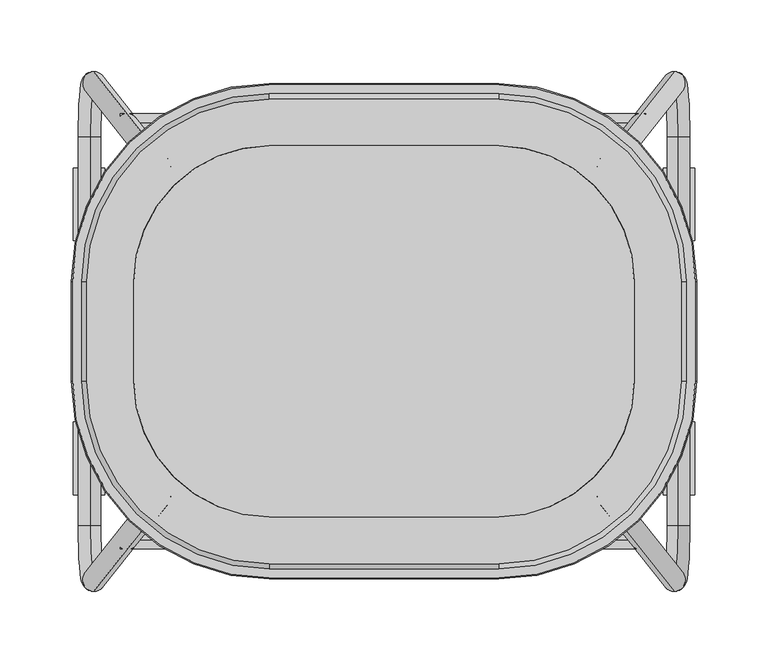
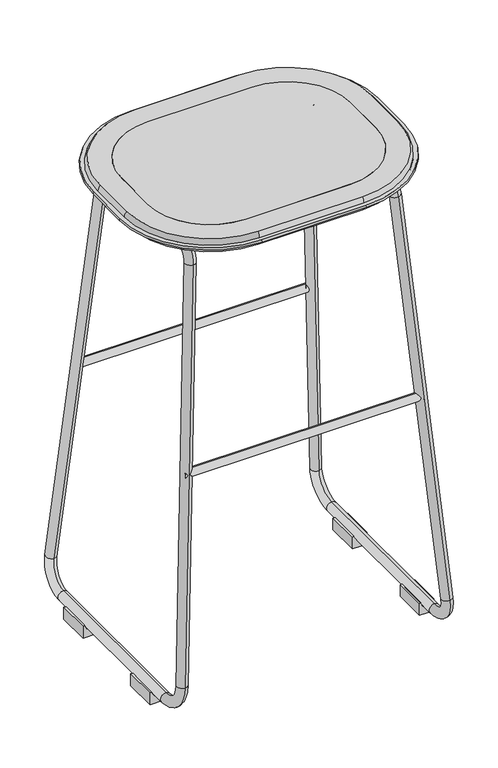
"""IFC4 building model written with IfcOpenShell, lengths in millimetres: furniture geometry."""

from ifc_helpers import new_model, si_unit, point, frame, frame_2d, origin, place, context, project, spatial, polyline, circle_curve, ellipse_curve, trimmed, segment, composite_curve, outline, extrude, source, transform, mapped, element, save
from ifc_brep_helpers import plane_surface, cylinder_surface, revolved_surface, advanced_brep


def furniture_5be35ab8(model_context):
    return source(origin(), model_context, "Body", "SolidModel", [
        extrude(outline(composite_curve([segment(polyline([(19.05, 195.2625), (0.0, 195.2625), (0.0, 217.4875), (19.05, 217.4875), (19.05, 214.3125)]), True, "CONTINUOUS"), segment(trimmed(circle_curve(frame_2d((19.05, 206.375)), 7.9375), [point((19.05, 214.3125))], [point((19.05, 198.4375))], True, "CARTESIAN"), True, "CONTINUOUS"), segment(polyline([(19.05, 198.4375), (19.05, 195.2625)]), True, "CONTINUOUS")], self_intersect=False)), frame((0.0, -114.3, 0.0), z_axis=(0.0, 1.0, 0.0), x_axis=(0.0, 0.0, 1.0)), (0.0, 0.0, 1.0), 50.8),
        extrude(outline(composite_curve([segment(polyline([(19.05, 195.2625), (0.0, 195.2625), (0.0, 217.4875), (19.05, 217.4875), (19.05, 214.3125)]), True, "CONTINUOUS"), segment(trimmed(circle_curve(frame_2d((19.05, 206.375)), 7.9375), [point((19.05, 214.3125))], [point((19.05, 198.4375))], True, "CARTESIAN"), True, "CONTINUOUS"), segment(polyline([(19.05, 198.4375), (19.05, 195.2625)]), True, "CONTINUOUS")], self_intersect=False)), frame((0.0, 63.5, 0.0), z_axis=(0.0, 1.0, 0.0), x_axis=(0.0, 0.0, 1.0)), (0.0, 0.0, 1.0), 50.8),
        advanced_brep(
        [(-175.021491, -34.925, 747.4493229), (-80.1154768, -129.8310142, 747.4493229), (80.1154768, -129.8310142, 747.4493229), (175.021491, -34.925, 747.4493229), (175.021491, 34.925, 747.4493229), (80.1154768, 129.8310142, 747.4493229), (-80.1154768, 129.8310142, 747.4493229), (-175.021491, 34.925, 747.4493229), (-178.5135382, -34.925, 723.9250418), (-178.5135382, 34.925, 723.9250418), (-80.1154768, 133.3230614, 723.9250418), (80.1154768, 133.3230614, 723.9250418), (178.5135382, 34.925, 723.9250418), (178.5135382, -34.925, 723.9250418), (80.1154768, -133.3230614, 723.9250418), (-80.1154768, -133.3230614, 723.9250418)],
        [
            (0, 1, circle_curve(frame((-80.1154768, -34.925, 747.4493229), z_axis=(0.0, 0.0, 1.0), x_axis=(-1.0000000000000002, 0.0, 0.0)), 94.9060142)),
            (1, 2),
            (2, 3, circle_curve(frame((80.1154768, -34.925, 747.4493229), z_axis=(0.0, 0.0, 1.0), x_axis=(0.0, -1.0000000000000002, 0.0)), 94.9060142)),
            (3, 4),
            (4, 5, circle_curve(frame((80.1154768, 34.925, 747.4493229), z_axis=(0.0, 0.0, 1.0), x_axis=(1.0000000000000002, 0.0, 0.0)), 94.9060142)),
            (5, 6),
            (6, 7, circle_curve(frame((-80.1154768, 34.925, 747.4493229), z_axis=(0.0, 0.0, 1.0), x_axis=(0.0, 1.0000000000000002, 0.0)), 94.9060142)),
            (7, 0),
            (8, 9),
            (9, 10, circle_curve(frame((-80.1154768, 34.925, 723.9250418), z_axis=(0.0, 0.0, -1.0), x_axis=(0.0, 1.0000000000000002, 0.0)), 98.3980614)),
            (10, 11),
            (11, 12, circle_curve(frame((80.1154768, 34.925, 723.9250418), z_axis=(0.0, 0.0, -1.0), x_axis=(1.0000000000000002, 0.0, 0.0)), 98.3980614)),
            (12, 13),
            (13, 14, circle_curve(frame((80.1154768, -34.925, 723.9250418), z_axis=(0.0, 0.0, -1.0), x_axis=(0.0, -1.0000000000000002, 0.0)), 98.3980614)),
            (14, 15),
            (15, 8, circle_curve(frame((-80.1154768, -34.925, 723.9250418), z_axis=(0.0, 0.0, -1.0), x_axis=(-1.0000000000000002, 0.0, 0.0)), 98.3980614)),
            (15, 1),
            (0, 8),
            (14, 2),
            (13, 3),
            (12, 4),
            (11, 5),
            (10, 6),
            (9, 7),
        ],
        [
            plane_surface(frame((0.0, 0.0, 747.4493229), z_axis=(0.0, 0.0, 1.0), x_axis=(0.0, 1.0, 0.0))),
            plane_surface(frame((0.0, 0.0, 723.9250418), z_axis=(0.0, 0.0, -1.0), x_axis=(0.0, 1.0, 0.0))),
            revolved_surface(polyline([(-175.02149099709362, -34.925, 747.4493229), (-178.5135382, -34.925, 723.9250418)]), (-80.1154768, -34.925, 1386.7865444), (0.0, 0.0, -1.0)),
            plane_surface(frame((0.0, -133.3230614, 723.9250418), z_axis=(0.0, -0.9891609433288521, 0.14683537786506212), x_axis=(1.0, 0.0, 0.0))),
            revolved_surface(polyline([(80.1154768, -129.83101419709362, 747.4493229), (80.1154768, -133.3230614, 723.9250418)]), (80.1154768, -34.925, 1386.7865444), (0.0, 0.0, -1.0)),
            plane_surface(frame((178.5135382, 0.0, 723.9250418), z_axis=(0.9891609433288486, 0.0, 0.14683537786508508), x_axis=(0.0, 1.0, 0.0))),
            revolved_surface(polyline([(175.02149099709362, 34.925, 747.4493229), (178.5135382, 34.925, 723.9250418)]), (80.1154768, 34.925, 1386.7865444), (0.0, 0.0, -1.0)),
            plane_surface(frame((0.0, 133.3230614, 723.9250418), z_axis=(0.0, 0.989160943328852, 0.1468353778650628), x_axis=(-1.0, 0.0, 0.0))),
            revolved_surface(polyline([(-80.1154768, 129.83101419709362, 747.4493229), (-80.1154768, 133.3230614, 723.9250418)]), (-80.1154768, 34.925, 1386.7865444), (0.0, 0.0, -1.0)),
            plane_surface(frame((-178.5135382, 0.0, 723.9250418), z_axis=(-0.9891609433288486, 0.0, 0.14683537786508508), x_axis=(0.0, -1.0, 0.0))),
        ],
        [
            (0, [[1, 2, 3, 4, 5, 6, 7, 8]]),
            (1, [[9, 10, 11, 12, 13, 14, 15, 16]]),
            (2, [[-16, 17, -1, 18]]),
            (3, [[-15, 19, -2, -17]]),
            (4, [[-14, 20, -3, -19]]),
            (5, [[-13, 21, -4, -20]]),
            (6, [[-12, 22, -5, -21]]),
            (7, [[-11, 23, -6, -22]]),
            (8, [[-10, 24, -7, -23]]),
            (9, [[-9, -18, -8, -24]]),
        ],
    ),
        advanced_brep(
        [(80.1154768, 129.8310142, 747.4493229), (-80.1154768, 129.8310142, 747.4493229), (-80.1154768, 133.3230614, 723.9250418), (80.1154768, 133.3230614, 723.9250418), (-80.1154768, -162.6409798, 747.4493229), (80.1154768, -162.6409798, 747.4493229), (207.8314566, -34.925, 747.4493229), (207.8314566, 34.925, 747.4493229), (80.1154768, 162.6409798, 747.4493229), (-80.1154768, 162.6409798, 747.4493229), (-207.8314566, 34.925, 747.4493229), (-207.8314566, -34.925, 747.4493229), (175.021491, 34.925, 747.4493229), (175.021491, -34.925, 747.4493229), (80.1154768, -129.8310142, 747.4493229), (-80.1154768, -129.8310142, 747.4493229), (-175.021491, -34.925, 747.4493229), (-175.021491, 34.925, 747.4493229), (80.1154768, 166.2791169, 739.6473126), (-80.1154768, 166.2791169, 739.6473126), (-80.1154768, -172.6291169, 739.6473126), (80.1154768, -172.6291169, 739.6473126), (217.8195937, -34.925, 739.6473126), (217.8195937, 34.925, 739.6473126), (80.1154768, 172.6291169, 739.6473126), (-80.1154768, 172.6291169, 739.6473126), (-217.8195937, 34.925, 739.6473126), (-217.8195937, -34.925, 739.6473126), (211.4695937, 34.925, 739.6473126), (211.4695937, -34.925, 739.6473126), (80.1154768, -166.2791169, 739.6473126), (-80.1154768, -166.2791169, 739.6473126), (-211.4695937, -34.925, 739.6473126), (-211.4695937, 34.925, 739.6473126), (80.1154768, 173.4175169, 736.7049637), (-80.1154768, 173.4175169, 736.7049637), (218.6079938, 34.925, 736.7049637), (218.6079938, -34.925, 736.7049637), (80.1154768, -173.4175169, 736.7049637), (-80.1154768, -173.4175169, 736.7049637), (-218.6079938, -34.925, 736.7049637), (-218.6079938, 34.925, 736.7049637), (-80.1154768, -167.0675169, 736.7049637), (80.1154768, -167.0675169, 736.7049637), (212.2579938, -34.925, 736.7049637), (212.2579938, 34.925, 736.7049637), (80.1154768, 167.0675169, 736.7049637), (-80.1154768, 167.0675169, 736.7049637), (-212.2579938, 34.925, 736.7049637), (-212.2579938, -34.925, 736.7049637), (80.1154768, 163.4840689, 726.8595211), (-80.1154768, 163.4840689, 726.8595211), (178.5135382, 34.925, 723.9250418), (208.6745457, 34.925, 726.8595211), (178.5135382, -34.925, 723.9250418), (208.6745457, -34.925, 726.8595211), (-178.5135382, 34.925, 723.9250418), (-208.6745457, 34.925, 726.8595211), (-178.5135382, -34.925, 723.9250418), (-208.6745457, -34.925, 726.8595211), (-80.1154768, -133.3230614, 723.9250418), (-80.1154768, -163.4840689, 726.8595211), (80.1154768, -133.3230614, 723.9250418), (80.1154768, -163.4840689, 726.8595211)],
        [
            (0, 1),
            (1, 2),
            (2, 3),
            (3, 0),
            (4, 5),
            (5, 6, circle_curve(frame((80.1154768, -34.925, 747.4493229), z_axis=(0.0, 0.0, 1.0), x_axis=(1.0000000000000002, 0.0, 0.0)), 127.7159798)),
            (6, 7),
            (7, 8, circle_curve(frame((80.1154768, 34.925, 747.4493229), z_axis=(0.0, 0.0, 1.0), x_axis=(1.0000000000000002, 0.0, 0.0)), 127.7159798)),
            (8, 9),
            (9, 10, circle_curve(frame((-80.1154768, 34.925, 747.4493229), z_axis=(0.0, 0.0, 1.0), x_axis=(-1.0000000000000002, 0.0, 0.0)), 127.7159798)),
            (10, 11),
            (11, 4, circle_curve(frame((-80.1154768, -34.925, 747.4493229), z_axis=(0.0, 0.0, 1.0), x_axis=(-1.0000000000000002, 0.0, 0.0)), 127.7159798)),
            (0, 12, circle_curve(frame((80.1154768, 34.925, 747.4493229), z_axis=(0.0, 0.0, -1.0), x_axis=(1.0000000000000002, 0.0, 0.0)), 94.9060142)),
            (12, 13),
            (13, 14, circle_curve(frame((80.1154768, -34.925, 747.4493229), z_axis=(0.0, 0.0, -1.0), x_axis=(1.0000000000000002, 0.0, 0.0)), 94.9060142)),
            (14, 15),
            (15, 16, circle_curve(frame((-80.1154768, -34.925, 747.4493229), z_axis=(0.0, 0.0, -1.0), x_axis=(-1.0000000000000002, 0.0, 0.0)), 94.9060142)),
            (16, 17),
            (17, 1, circle_curve(frame((-80.1154768, 34.925, 747.4493229), z_axis=(0.0, 0.0, -1.0), x_axis=(-1.0000000000000002, 0.0, 0.0)), 94.9060142)),
            (8, 18, circle_curve(frame((80.1154768, 153.8392427, 738.5957548), z_axis=(-1.0, 0.0, 0.0), x_axis=(0.0, 1.0000000000000002, 0.0)), 12.4842398)),
            (18, 19),
            (19, 9, circle_curve(frame((-80.1154768, 153.8392427, 738.5957548), z_axis=(1.0, 0.0, 0.0), x_axis=(0.0, 1.0000000000000002, 0.0)), 12.4842398)),
            (20, 21),
            (21, 22, circle_curve(frame((80.1154768, -34.925, 739.6473126), z_axis=(0.0, 0.0, 1.0), x_axis=(1.0000000000000002, 0.0, 0.0)), 137.7041169)),
            (22, 23),
            (23, 24, circle_curve(frame((80.1154768, 34.925, 739.6473126), z_axis=(0.0, 0.0, 1.0), x_axis=(1.0000000000000002, 0.0, 0.0)), 137.7041169)),
            (24, 25),
            (25, 26, circle_curve(frame((-80.1154768, 34.925, 739.6473126), z_axis=(0.0, 0.0, 1.0), x_axis=(-1.0000000000000002, 0.0, 0.0)), 137.7041169)),
            (26, 27),
            (27, 20, circle_curve(frame((-80.1154768, -34.925, 739.6473126), z_axis=(0.0, 0.0, 1.0), x_axis=(-1.0000000000000002, 0.0, 0.0)), 137.7041169)),
            (18, 28, circle_curve(frame((80.1154768, 34.925, 739.6473126), z_axis=(0.0, 0.0, -1.0), x_axis=(1.0000000000000002, 0.0, 0.0)), 131.3541169)),
            (28, 29),
            (29, 30, circle_curve(frame((80.1154768, -34.925, 739.6473126), z_axis=(0.0, 0.0, -1.0), x_axis=(1.0000000000000002, 0.0, 0.0)), 131.3541169)),
            (30, 31),
            (31, 32, circle_curve(frame((-80.1154768, -34.925, 739.6473126), z_axis=(0.0, 0.0, -1.0), x_axis=(-1.0000000000000002, 0.0, 0.0)), 131.3541169)),
            (32, 33),
            (33, 19, circle_curve(frame((-80.1154768, 34.925, 739.6473126), z_axis=(0.0, 0.0, -1.0), x_axis=(-1.0000000000000002, 0.0, 0.0)), 131.3541169)),
            (24, 34),
            (34, 35),
            (35, 25),
            (34, 36, circle_curve(frame((80.1154768, 34.925, 736.7049637), z_axis=(0.0, 0.0, -1.0), x_axis=(1.0000000000000002, 0.0, 0.0)), 138.4925169)),
            (36, 37),
            (37, 38, circle_curve(frame((80.1154768, -34.925, 736.7049637), z_axis=(0.0, 0.0, -1.0), x_axis=(1.0000000000000002, 0.0, 0.0)), 138.4925169)),
            (38, 39),
            (39, 40, circle_curve(frame((-80.1154768, -34.925, 736.7049637), z_axis=(0.0, 0.0, -1.0), x_axis=(-1.0000000000000002, 0.0, 0.0)), 138.4925169)),
            (40, 41),
            (41, 35, circle_curve(frame((-80.1154768, 34.925, 736.7049637), z_axis=(0.0, 0.0, -1.0), x_axis=(-1.0000000000000002, 0.0, 0.0)), 138.4925169)),
            (42, 43),
            (43, 44, circle_curve(frame((80.1154768, -34.925, 736.7049637), z_axis=(0.0, 0.0, 1.0), x_axis=(1.0000000000000002, 0.0, 0.0)), 132.1425169)),
            (44, 45),
            (45, 46, circle_curve(frame((80.1154768, 34.925, 736.7049637), z_axis=(0.0, 0.0, 1.0), x_axis=(1.0000000000000002, 0.0, 0.0)), 132.1425169)),
            (46, 47),
            (47, 48, circle_curve(frame((-80.1154768, 34.925, 736.7049637), z_axis=(0.0, 0.0, 1.0), x_axis=(-1.0000000000000002, 0.0, 0.0)), 132.1425169)),
            (48, 49),
            (49, 42, circle_curve(frame((-80.1154768, -34.925, 736.7049637), z_axis=(0.0, 0.0, 1.0), x_axis=(-1.0000000000000002, 0.0, 0.0)), 132.1425169)),
            (46, 50, circle_curve(frame((80.1154768, 148.476041, 737.896852), z_axis=(-1.0, 0.0, 0.0), x_axis=(0.0, 1.0000000000000002, 0.0)), 18.6296423)),
            (50, 51),
            (51, 47, circle_curve(frame((-80.1154768, 148.476041, 737.896852), z_axis=(1.0, 0.0, 0.0), x_axis=(0.0, 1.0000000000000002, 0.0)), 18.6296423)),
            (2, 51),
            (50, 3),
            (3, 52, circle_curve(frame((80.1154768, 34.925, 723.9250418), z_axis=(0.0, 0.0, -1.0), x_axis=(1.0000000000000002, 0.0, 0.0)), 98.3980614)),
            (52, 12),
            (50, 53, circle_curve(frame((80.1154768, 34.925, 726.8595211), z_axis=(0.0, 0.0, -1.0), x_axis=(1.0000000000000002, 0.0, 0.0)), 128.5590689)),
            (53, 52),
            (45, 53, circle_curve(frame((193.6665179, 34.925, 737.896852), z_axis=(0.0, 1.0000000000000002, 0.0), x_axis=(0.0, 0.0, 1.0)), 18.6296423)),
            (23, 36),
            (7, 28, circle_curve(frame((199.0297195, 34.925, 738.5957548), z_axis=(0.0, 1.0000000000000002, 0.0), x_axis=(0.0, 0.0, 1.0)), 12.4842398)),
            (52, 54),
            (54, 13),
            (53, 55),
            (55, 54),
            (44, 55, circle_curve(frame((193.6665179, -34.925, 737.896852), z_axis=(0.0, 1.0, 0.0), x_axis=(0.0, 0.0, 1.0)), 18.6296423)),
            (22, 37),
            (6, 29, circle_curve(frame((199.0297195, -34.925, 738.5957548), z_axis=(0.0, 1.0, 0.0), x_axis=(0.0, 0.0, 1.0)), 12.4842398)),
            (17, 56),
            (56, 2, circle_curve(frame((-80.1154768, 34.925, 723.9250418), z_axis=(0.0, 0.0, -1.0), x_axis=(-1.0000000000000002, 0.0, 0.0)), 98.3980614)),
            (56, 57),
            (57, 51, circle_curve(frame((-80.1154768, 34.925, 726.8595211), z_axis=(0.0, 0.0, -1.0), x_axis=(-1.0000000000000002, 0.0, 0.0)), 128.5590689)),
            (57, 48, circle_curve(frame((-193.6665179, 34.925, 737.896852), z_axis=(0.0, 1.0000000000000002, 0.0), x_axis=(0.0, 0.0, 1.0)), 18.6296423)),
            (41, 26),
            (33, 10, circle_curve(frame((-199.0297195, 34.925, 738.5957548), z_axis=(0.0, 1.0000000000000002, 0.0), x_axis=(0.0, 0.0, 1.0)), 12.4842398)),
            (58, 56),
            (16, 58),
            (58, 59),
            (59, 57),
            (59, 49, circle_curve(frame((-193.6665179, -34.925, 737.896852), z_axis=(0.0, 1.0, 0.0), x_axis=(0.0, 0.0, 1.0)), 18.6296423)),
            (40, 27),
            (32, 11, circle_curve(frame((-199.0297195, -34.925, 738.5957548), z_axis=(0.0, 1.0, 0.0), x_axis=(0.0, 0.0, 1.0)), 12.4842398)),
            (60, 58, circle_curve(frame((-80.1154768, -34.925, 723.9250418), z_axis=(0.0, 0.0, -1.0), x_axis=(-1.0000000000000002, 0.0, 0.0)), 98.3980614)),
            (15, 60),
            (60, 61),
            (61, 59, circle_curve(frame((-80.1154768, -34.925, 726.8595211), z_axis=(0.0, 0.0, -1.0), x_axis=(-1.0000000000000002, 0.0, 0.0)), 128.5590689)),
            (61, 42, circle_curve(frame((-80.1154768, -148.476041, 737.896852), z_axis=(-1.0000000000000002, 0.0, 0.0), x_axis=(0.0, 0.0, 1.0)), 18.6296423)),
            (39, 20),
            (31, 4, circle_curve(frame((-80.1154768, -153.8392427, 738.5957548), z_axis=(-1.0000000000000002, 0.0, 0.0), x_axis=(0.0, 0.0, 1.0)), 12.4842398)),
            (62, 60),
            (14, 62),
            (30, 5, circle_curve(frame((80.1154768, -153.8392427, 738.5957548), z_axis=(-1.0, 0.0, 0.0), x_axis=(0.0, -1.0000000000000002, 0.0)), 12.4842398)),
            (38, 21),
            (61, 63),
            (63, 43, circle_curve(frame((80.1154768, -148.476041, 737.896852), z_axis=(-1.0, 0.0, 0.0), x_axis=(0.0, -1.0000000000000002, 0.0)), 18.6296423)),
            (62, 63),
            (54, 62, circle_curve(frame((80.1154768, -34.925, 723.9250418), z_axis=(0.0, 0.0, -1.0), x_axis=(1.0000000000000002, 0.0, 0.0)), 98.3980614)),
            (55, 63, circle_curve(frame((80.1154768, -34.925, 726.8595211), z_axis=(0.0, 0.0, -1.0), x_axis=(1.0000000000000002, 0.0, 0.0)), 128.5590689)),
        ],
        [
            plane_surface(frame((80.1154768, 129.8310142, 747.4493229), z_axis=(0.0, -0.9891609433288518, -0.14683537786506368), x_axis=(-1.0, 0.0, 0.0))),
            plane_surface(frame((80.1154768, 162.6409798, 747.4493229), z_axis=(0.0, 0.0, 1.0), x_axis=(-1.0, 0.0, 0.0))),
            cylinder_surface(frame((-80.1154768, 153.8392427, 738.5957548), z_axis=(1.0000000000000002, 0.0, 0.0), x_axis=(0.0, 1.0000000000000002, 0.0)), 12.4842398),
            plane_surface(frame((80.1154768, 172.6291169, 739.6473126), z_axis=(0.0, 0.0, 1.0), x_axis=(-1.0, 0.0, 0.0))),
            plane_surface(frame((80.1154768, 173.4175169, 736.7049637), z_axis=(0.0, 0.9659258262890752, 0.2588190451024952), x_axis=(-1.0, 0.0, 0.0))),
            plane_surface(frame((80.1154768, 167.0675169, 736.7049637), z_axis=(0.0, 0.0, -1.0), x_axis=(-1.0, 0.0, 0.0))),
            cylinder_surface(frame((-80.1154768, 148.476041, 737.896852), z_axis=(1.0000000000000002, 0.0, 0.0), x_axis=(0.0, 1.0000000000000002, 0.0)), 18.6296423),
            plane_surface(frame((80.1154768, 133.3230614, 723.9250418), z_axis=(0.0, 0.09683655773188508, -0.9953002969388883), x_axis=(-1.0, 0.0, 0.0))),
            revolved_surface(polyline([(175.021491, 34.925, 747.4493229), (178.5135382, 34.925, 723.9250418)]), (80.1154768, 34.925, 859.9074778), (0.0, 0.0, 1.0)),
            revolved_surface(polyline([(178.5135382, 34.925, 723.9250418), (208.6745457, 34.925, 726.8595211)]), (80.1154768, 34.925, 859.9074778), (0.0, 0.0, 1.0)),
            revolved_surface(trimmed(ellipse_curve(frame((193.6665179, 34.925, 737.896852), z_axis=(0.0, -1.0000000000000002, 0.0), x_axis=(0.0, 0.0, 1.0)), 18.6296423, 18.6296423), [point((208.6745457, 34.925, 726.8595211))], [point((212.2579938, 34.925, 736.7049637))], True, "CARTESIAN"), (80.1154768, 34.925, 859.9074778), (0.0, 0.0, 1.0)),
            revolved_surface(polyline([(218.6079938, 34.925, 736.7049637), (217.8195937, 34.925, 739.6473126)]), (80.1154768, 34.925, 859.9074778), (0.0, 0.0, 1.0)),
            revolved_surface(trimmed(ellipse_curve(frame((199.0297195, 34.925, 738.5957548), z_axis=(0.0, -1.0000000000000002, 0.0), x_axis=(0.0, 0.0, 1.0)), 12.4842398, 12.4842398), [point((211.4695937, 34.925, 739.6473126))], [point((207.8314566, 34.925, 747.4493229))], True, "CARTESIAN"), (80.1154768, 34.925, 859.9074778), (0.0, 0.0, 1.0)),
            plane_surface(frame((175.021491, -34.925, 747.4493229), z_axis=(-0.9891609433288492, 0.0, -0.14683537786508166), x_axis=(0.0, 1.0, 0.0))),
            plane_surface(frame((178.5135382, -34.925, 723.9250418), z_axis=(0.09683655773190229, 0.0, -0.9953002969388867), x_axis=(0.0, 1.0, 0.0))),
            cylinder_surface(frame((193.6665179, 34.925, 737.896852), z_axis=(0.0, -1.0000000000000002, 0.0), x_axis=(0.0, 0.0, 1.0)), 18.6296423),
            plane_surface(frame((218.6079938, -34.925, 736.7049637), z_axis=(0.9659258262890694, 0.0, 0.2588190451025166), x_axis=(0.0, 1.0, 0.0))),
            cylinder_surface(frame((199.0297195, 34.925, 738.5957548), z_axis=(0.0, -1.0000000000000002, 0.0), x_axis=(0.0, 0.0, 1.0)), 12.4842398),
            revolved_surface(polyline([(-178.5135382, 34.925, 723.9250418), (-175.021491, 34.925, 747.4493229)]), (-80.1154768, 34.925, 859.9074778), (0.0, 0.0, -1.0)),
            revolved_surface(polyline([(-208.6745457, 34.925, 726.8595211), (-178.5135382, 34.925, 723.9250418)]), (-80.1154768, 34.925, 859.9074778), (0.0, 0.0, -1.0)),
            revolved_surface(trimmed(ellipse_curve(frame((-193.6665179, 34.925, 737.896852), z_axis=(0.0, -1.0000000000000002, 0.0), x_axis=(0.0, 0.0, 1.0)), 18.6296423, 18.6296423), [point((-212.2579938, 34.925, 736.7049637))], [point((-208.6745457, 34.925, 726.8595211))], True, "CARTESIAN"), (-80.1154768, 34.925, 859.9074778), (0.0, 0.0, -1.0)),
            revolved_surface(polyline([(-217.8195937, 34.925, 739.6473126), (-218.6079938, 34.925, 736.7049637)]), (-80.1154768, 34.925, 859.9074778), (0.0, 0.0, -1.0)),
            revolved_surface(trimmed(ellipse_curve(frame((-199.0297195, 34.925, 738.5957548), z_axis=(0.0, -1.0000000000000002, 0.0), x_axis=(0.0, 0.0, 1.0)), 12.4842398, 12.4842398), [point((-207.8314566, 34.925, 747.4493229))], [point((-211.4695937, 34.925, 739.6473126))], True, "CARTESIAN"), (-80.1154768, 34.925, 859.9074778), (0.0, 0.0, -1.0)),
            plane_surface(frame((-178.5135382, -34.925, 723.9250418), z_axis=(0.9891609433288492, 0.0, -0.14683537786508166), x_axis=(0.0, 1.0, 0.0))),
            plane_surface(frame((-208.6745457, -34.925, 726.8595211), z_axis=(-0.09683655773190229, 0.0, -0.9953002969388867), x_axis=(0.0, 1.0, 0.0))),
            cylinder_surface(frame((-193.6665179, 34.925, 737.896852), z_axis=(0.0, -1.0000000000000002, 0.0), x_axis=(0.0, 0.0, 1.0)), 18.6296423),
            plane_surface(frame((-217.8195937, -34.925, 739.6473126), z_axis=(-0.9659258262890694, 0.0, 0.2588190451025166), x_axis=(0.0, 1.0, 0.0))),
            cylinder_surface(frame((-199.0297195, 34.925, 738.5957548), z_axis=(0.0, -1.0000000000000002, 0.0), x_axis=(0.0, 0.0, 1.0)), 12.4842398),
            revolved_surface(polyline([(-175.021491, -34.925, 747.4493229), (-178.5135382, -34.925, 723.9250418)]), (-80.1154768, -34.925, 859.9074778), (0.0, 0.0, 1.0)),
            revolved_surface(polyline([(-178.5135382, -34.925, 723.9250418), (-208.6745457, -34.925, 726.8595211)]), (-80.1154768, -34.925, 859.9074778), (0.0, 0.0, 1.0)),
            revolved_surface(trimmed(ellipse_curve(frame((-193.6665179, -34.925, 737.896852), z_axis=(0.0, 1.0000000000000002, 0.0), x_axis=(0.0, 0.0, 1.0)), 18.6296423, 18.6296423), [point((-208.6745457, -34.925, 726.8595211))], [point((-212.2579938, -34.925, 736.7049637))], True, "CARTESIAN"), (-80.1154768, -34.925, 859.9074778), (0.0, 0.0, 1.0)),
            revolved_surface(polyline([(-218.6079938, -34.925, 736.7049637), (-217.8195937, -34.925, 739.6473126)]), (-80.1154768, -34.925, 859.9074778), (0.0, 0.0, 1.0)),
            revolved_surface(trimmed(ellipse_curve(frame((-199.0297195, -34.925, 738.5957548), z_axis=(0.0, 1.0000000000000002, 0.0), x_axis=(0.0, 0.0, 1.0)), 12.4842398, 12.4842398), [point((-211.4695937, -34.925, 739.6473126))], [point((-207.8314566, -34.925, 747.4493229))], True, "CARTESIAN"), (-80.1154768, -34.925, 859.9074778), (0.0, 0.0, 1.0)),
            plane_surface(frame((80.1154768, -133.3230614, 723.9250418), z_axis=(0.0, 0.9891609433288518, -0.14683537786506368), x_axis=(-1.0, 0.0, 0.0))),
            cylinder_surface(frame((-80.1154768, -153.8392427, 738.5957548), z_axis=(1.0000000000000002, 0.0, 0.0), x_axis=(0.0, -1.0000000000000002, 0.0)), 12.4842398),
            plane_surface(frame((80.1154768, -172.6291169, 739.6473126), z_axis=(0.0, -0.9659258262890752, 0.2588190451024952), x_axis=(-1.0, 0.0, 0.0))),
            cylinder_surface(frame((-80.1154768, -148.476041, 737.896852), z_axis=(1.0000000000000002, 0.0, 0.0), x_axis=(0.0, -1.0000000000000002, 0.0)), 18.6296423),
            plane_surface(frame((80.1154768, -163.4840689, 726.8595211), z_axis=(0.0, -0.09683655773188508, -0.9953002969388883), x_axis=(-1.0, 0.0, 0.0))),
            revolved_surface(polyline([(178.5135382, -34.925, 723.9250418), (175.021491, -34.925, 747.4493229)]), (80.1154768, -34.925, 859.9074778), (0.0, 0.0, -1.0)),
            revolved_surface(polyline([(208.6745457, -34.925, 726.8595211), (178.5135382, -34.925, 723.9250418)]), (80.1154768, -34.925, 859.9074778), (0.0, 0.0, -1.0)),
            revolved_surface(trimmed(ellipse_curve(frame((193.6665179, -34.925, 737.896852), z_axis=(0.0, 1.0000000000000002, 0.0), x_axis=(0.0, 0.0, 1.0)), 18.6296423, 18.6296423), [point((212.2579938, -34.925, 736.7049637))], [point((208.6745457, -34.925, 726.8595211))], True, "CARTESIAN"), (80.1154768, -34.925, 859.9074778), (0.0, 0.0, -1.0)),
            revolved_surface(polyline([(217.8195937, -34.925, 739.6473126), (218.6079938, -34.925, 736.7049637)]), (80.1154768, -34.925, 859.9074778), (0.0, 0.0, -1.0)),
            revolved_surface(trimmed(ellipse_curve(frame((199.0297195, -34.925, 738.5957548), z_axis=(0.0, 1.0000000000000002, 0.0), x_axis=(0.0, 0.0, 1.0)), 12.4842398, 12.4842398), [point((207.8314566, -34.925, 747.4493229))], [point((211.4695937, -34.925, 739.6473126))], True, "CARTESIAN"), (80.1154768, -34.925, 859.9074778), (0.0, 0.0, -1.0)),
        ],
        [
            (0, [[1, 2, 3, 4]]),
            (1, [[5, 6, 7, 8, 9, 10, 11, 12], [-1, 13, 14, 15, 16, 17, 18, 19]]),
            (2, [[-9, 20, 21, 22]]),
            (3, [[23, 24, 25, 26, 27, 28, 29, 30], [-21, 31, 32, 33, 34, 35, 36, 37]]),
            (4, [[-27, 38, 39, 40]]),
            (5, [[-39, 41, 42, 43, 44, 45, 46, 47], [48, 49, 50, 51, 52, 53, 54, 55]]),
            (6, [[-52, 56, 57, 58]]),
            (7, [[-3, 59, -57, 60]]),
            (8, [[61, 62, -13, -4]]),
            (9, [[-61, -60, 63, 64]]),
            (10, [[-63, -56, -51, 65]]),
            (11, [[-41, -38, -26, 66]]),
            (12, [[-31, -20, -8, 67]]),
            (13, [[-14, -62, 68, 69]]),
            (14, [[-68, -64, 70, 71]]),
            (15, [[-70, -65, -50, 72]]),
            (16, [[-42, -66, -25, 73]]),
            (17, [[-32, -67, -7, 74]]),
            (18, [[-19, 75, 76, -2]]),
            (19, [[-76, 77, 78, -59]]),
            (20, [[-78, 79, -53, -58]]),
            (21, [[-47, 80, -28, -40]]),
            (22, [[-37, 81, -10, -22]]),
            (23, [[82, -75, -18, 83]]),
            (24, [[-82, 84, 85, -77]]),
            (25, [[-85, 86, -54, -79]]),
            (26, [[-46, 87, -29, -80]]),
            (27, [[-36, 88, -11, -81]]),
            (28, [[89, -83, -17, 90]]),
            (29, [[-89, 91, 92, -84]]),
            (30, [[-92, 93, -55, -86]]),
            (31, [[-45, 94, -30, -87]]),
            (32, [[-35, 95, -12, -88]]),
            (33, [[96, -90, -16, 97]]),
            (34, [[-5, -95, -34, 98]]),
            (35, [[-23, -94, -44, 99]]),
            (36, [[-48, -93, 100, 101]]),
            (37, [[-96, 102, -100, -91]]),
            (38, [[-15, -69, 103, -97]]),
            (39, [[-103, -71, 104, -102]]),
            (40, [[-104, -72, -49, -101]]),
            (41, [[-43, -73, -24, -99]]),
            (42, [[-33, -74, -6, -98]]),
        ],
    ),
        extrude(outline(composite_curve([segment(polyline([(19.05, -195.2625), (19.05, -198.4375)]), True, "CONTINUOUS"), segment(trimmed(circle_curve(frame_2d((19.05, -206.375)), 7.9375), [point((19.05, -198.4375))], [point((19.05, -214.3125))], True, "CARTESIAN"), True, "CONTINUOUS"), segment(polyline([(19.05, -214.3125), (19.05, -217.4875), (0.0, -217.4875), (0.0, -195.2625), (19.05, -195.2625)]), True, "CONTINUOUS")], self_intersect=False)), frame((0.0, -114.3, 0.0), z_axis=(0.0, 1.0, 0.0), x_axis=(0.0, 0.0, 1.0)), (0.0, 0.0, 1.0), 50.8),
        extrude(outline(composite_curve([segment(polyline([(19.05, -195.2625), (19.05, -198.4375)]), True, "CONTINUOUS"), segment(trimmed(circle_curve(frame_2d((19.05, -206.375)), 7.9375), [point((19.05, -198.4375))], [point((19.05, -214.3125))], True, "CARTESIAN"), True, "CONTINUOUS"), segment(polyline([(19.05, -214.3125), (19.05, -217.4875), (0.0, -217.4875), (0.0, -195.2625), (19.05, -195.2625)]), True, "CONTINUOUS")], self_intersect=False)), frame((0.0, 63.5, 0.0), z_axis=(0.0, 1.0, 0.0), x_axis=(0.0, 0.0, 1.0)), (0.0, 0.0, 1.0), 50.8),
        advanced_brep(
        [(206.526617, -136.0922452, 12.4365499), (202.9185836, -181.9419697, 62.4980131), (203.0215489, -166.1317199, 61.0693691), (205.3854329, -136.0922452, 28.2704794), (205.3854329, 136.0601329, 28.2704794), (206.526617, 136.0601329, 12.4365499), (202.9160574, 181.9066602, 62.5330636), (203.0198939, 166.0975129, 61.0923332), (157.2822207, 107.9633559, 695.702548), (157.1783843, 123.7725032, 697.1432784), (154.9999542, 90.5732939, 727.3689966), (156.1411383, 90.5732939, 711.5350671), (156.1411383, -91.0971207, 711.5350671), (154.9999542, -91.0971207, 727.3689966), (157.1802136, -124.2986453, 697.117897), (157.2831789, -108.4883955, 695.689253)],
        [
            (0, 1, circle_curve(frame((203.2171831, -136.0922452, 58.3549455), z_axis=(-0.9974128827217458, 0.0, -0.07188561316909677), x_axis=(-0.00648600527605386, -0.9959212486507286, 0.08999332320529496)), 46.0375)),
            (1, 2, circle_curve(frame((202.9700663, -174.0368448, 61.7836911), z_axis=(0.0715924096273898, -0.09022675039019007, -0.9933446835805638), x_axis=(0.006486005276053855, 0.9959212486507286, -0.08999332320529486)), 7.9375)),
            (2, 3, circle_curve(frame((203.2171831, -136.0922452, 58.3549455), z_axis=(0.9974128827217458, 0.0, 0.07188561316909677), x_axis=(-0.00648600527605386, -0.9959212486507286, 0.08999332320529496)), 30.1625)),
            (3, 0, circle_curve(frame((205.9560249, -136.0922452, 20.3535147), z_axis=(0.0, -1.0, 0.0), x_axis=(-0.07188561316909677, 0.0, 0.9974128827217459)), 7.9375)),
            (2, 1, circle_curve(frame((202.9700663, -174.0368448, 61.7836911), z_axis=(0.0715924096273898, -0.09022675039019007, -0.9933446835805638), x_axis=(0.006486005276053855, 0.9959212486507286, -0.08999332320529486)), 7.9375)),
            (0, 3, circle_curve(frame((205.9560249, -136.0922452, 20.3535147), z_axis=(0.0, -1.0, 0.0), x_axis=(-0.07188561316909677, 0.0, 0.9974128827217458)), 7.9375)),
            (3, 4),
            (4, 5, circle_curve(frame((205.9560249, 136.0601329, 20.3535147), z_axis=(0.0, -1.0, 0.0), x_axis=(-0.07188561316909677, 0.0, 0.9974128827217459)), 7.9375)),
            (5, 0),
            (5, 4, circle_curve(frame((205.9560249, 136.0601329, 20.3535147), z_axis=(0.0, -1.0, 0.0), x_axis=(-0.07188561316909677, 0.0, 0.9974128827217459)), 7.9375)),
            (6, 5, circle_curve(frame((203.2171831, 136.0601329, 58.3549455), z_axis=(-0.9974128827217458, 0.0, -0.07188561316909677), x_axis=(0.07188561316909677, 0.0, -0.9974128827217458)), 46.0375)),
            (4, 7, circle_curve(frame((203.2171831, 136.0601329, 58.3549455), z_axis=(0.9974128827217458, 0.0, 0.07188561316909677), x_axis=(0.07188561316909677, 0.0, -0.9974128827217458)), 30.1625)),
            (7, 6, circle_curve(frame((202.9679756, 174.0020865, 61.8126984), z_axis=(0.0715874172443005, 0.09099007148367501, -0.9932754142651907), x_axis=(0.006540877080903938, -0.9958517996626786, -0.09075466949759001)), 7.9375)),
            (6, 7, circle_curve(frame((202.9679756, 174.0020865, 61.8126984), z_axis=(0.07158741724430288, 0.09099007148331038, -0.9932754142652239), x_axis=(0.006540877080877727, -0.9958517996627119, -0.09075466949722633)), 7.9375)),
            (7, 8),
            (8, 9, circle_curve(frame((157.2303025, 115.8679296, 696.4229132), z_axis=(0.0715874172442994, 0.09099007148384476, -0.9932754142651754), x_axis=(0.00654087708091612, -0.995851799662663, -0.0907546694977593)), 7.9375)),
            (9, 6),
            (9, 8, circle_curve(frame((157.2303025, 115.8679296, 696.4229132), z_axis=(0.0715874172442994, 0.09099007148384476, -0.9932754142651754), x_axis=(0.00654087708091612, -0.995851799662663, -0.0907546694977593)), 7.9375)),
            (10, 9, circle_curve(frame((157.3964408, 90.5732939, 694.1177446), z_axis=(-0.9974128827217458, 0.0, -0.07188561316909677), x_axis=(-0.006540877080958825, 0.9958517996626088, 0.09075466949835176)), 33.3375)),
            (8, 11, circle_curve(frame((157.3964408, 90.5732939, 694.1177446), z_axis=(0.9974128827217458, 0.0, 0.07188561316909677), x_axis=(-0.006540877080958825, 0.9958517996626088, 0.09075466949835176)), 17.4625)),
            (11, 10, circle_curve(frame((155.5705462, 90.5732939, 719.4520318), z_axis=(0.0, 1.0, 0.0), x_axis=(0.07188561316909678, 0.0, -0.9974128827217458)), 7.9375)),
            (10, 11, circle_curve(frame((155.5705462, 90.5732939, 719.4520318), z_axis=(0.0, 1.0, 0.0), x_axis=(0.07188561316909677, 0.0, -0.9974128827217458)), 7.9375)),
            (11, 12),
            (12, 13, circle_curve(frame((155.5705462, -91.0971207, 719.4520318), z_axis=(0.0, 1.0, 0.0), x_axis=(0.07188561316909678, 0.0, -0.9974128827217459)), 7.9375)),
            (13, 10),
            (13, 12, circle_curve(frame((155.5705462, -91.0971207, 719.4520318), z_axis=(0.0, 1.0, 0.0), x_axis=(0.07188561316909678, 0.0, -0.9974128827217459)), 7.9375)),
            (14, 13, circle_curve(frame((157.3964408, -91.0971207, 694.1177446), z_axis=(-0.9974128827217458, 0.0, -0.07188561316909677), x_axis=(-0.07188561316909677, 0.0, 0.9974128827217458)), 33.3375)),
            (12, 15, circle_curve(frame((157.3964408, -91.0971207, 694.1177446), z_axis=(0.9974128827217458, 0.0, 0.07188561316909677), x_axis=(-0.07188561316909677, 0.0, 0.9974128827217458)), 17.4625)),
            (15, 14, circle_curve(frame((157.2316962, -116.3935204, 696.403575), z_axis=(-0.07159240962736381, 0.09022675039417369, 0.9933446835802038), x_axis=(0.0064860052763402185, 0.9959212486503677, -0.0899933232092682)), 7.9375)),
            (14, 15, circle_curve(frame((157.2316962, -116.3935204, 696.403575), z_axis=(-0.07159240962737122, 0.0902267503930357, 0.9933446835803067), x_axis=(0.006486005276258413, 0.9959212486504708, -0.08999332320813315)), 7.9375)),
            (15, 2),
            (1, 14),
        ],
        [
            revolved_surface(trimmed(ellipse_curve(frame((202.9700663, -174.0368448, 61.7836911), z_axis=(-0.0715924096273898, 0.09022675039019007, 0.9933446835805638), x_axis=(0.006486005276053855, 0.9959212486507286, -0.08999332320529486)), 7.9375, 7.9375), [point((203.0215489, -166.1317199, 61.0693691))], [point((202.9185836, -181.9419697, 62.4980131))], True, "CARTESIAN"), (197.2233454, -136.0922452, 57.9229572), (0.9974128827217458, 0.0, 0.07188561316909677)),
            revolved_surface(trimmed(ellipse_curve(frame((202.9700663, -174.0368448, 61.7836911), z_axis=(-0.0715924096273898, 0.09022675039019007, 0.9933446835805638), x_axis=(0.006486005276053855, 0.9959212486507286, -0.08999332320529486)), 7.9375, 7.9375), [point((202.9185836, -181.9419697, 62.4980131))], [point((203.0215489, -166.1317199, 61.0693691))], True, "CARTESIAN"), (197.2233454, -136.0922452, 57.9229572), (0.9974128827217458, 0.0, 0.07188561316909677)),
            cylinder_surface(frame((205.9560249, -136.0922452, 20.3535147), z_axis=(0.0, -1.0000000000000002, 0.0), x_axis=(-0.07188561316909677, 0.0, 0.9974128827217459)), 7.9375),
            revolved_surface(trimmed(ellipse_curve(frame((205.9560249, 136.0601329, 20.3535147), z_axis=(0.0, -1.0, 0.0), x_axis=(-0.07188561316909675, 0.0, 0.9974128827217458)), 7.9375, 7.9375), [point((205.3854329, 136.0601329, 28.2704794))], [point((206.526617, 136.0601329, 12.4365499))], True, "CARTESIAN"), (197.2233454, 136.0601329, 57.9229572), (0.9974128827217458, 0.0, 0.07188561316909677)),
            revolved_surface(trimmed(ellipse_curve(frame((205.9560249, 136.0601329, 20.3535147), z_axis=(0.0, -1.0, 0.0), x_axis=(-0.07188561316909675, 0.0, 0.9974128827217458)), 7.9375, 7.9375), [point((206.526617, 136.0601329, 12.4365499))], [point((205.3854329, 136.0601329, 28.2704794))], True, "CARTESIAN"), (197.2233454, 136.0601329, 57.9229572), (0.9974128827217458, 0.0, 0.07188561316909677)),
            cylinder_surface(frame((202.9679756, 174.0020865, 61.8126984), z_axis=(0.07158741724429939, 0.09099007148384475, -0.9932754142651752), x_axis=(0.00654087708091612, -0.995851799662663, -0.0907546694977593)), 7.9375),
            revolved_surface(trimmed(ellipse_curve(frame((157.2303025, 115.8679296, 696.4229132), z_axis=(0.07158741724429547, 0.09099007148443877, -0.9932754142651211), x_axis=(0.006540877080958825, -0.9958517996626088, -0.0907546694983518)), 7.9375, 7.9375), [point((157.2822207, 107.9633559, 695.702548))], [point((157.1783843, 123.7725032, 697.1432784))], True, "CARTESIAN"), (151.4026031, 90.5732939, 693.6857563), (0.9974128827217458, 0.0, 0.07188561316909677)),
            revolved_surface(trimmed(ellipse_curve(frame((157.2303025, 115.8679296, 696.4229132), z_axis=(0.07158741724429547, 0.09099007148443877, -0.9932754142651211), x_axis=(0.006540877080958825, -0.9958517996626088, -0.0907546694983518)), 7.9375, 7.9375), [point((157.1783843, 123.7725032, 697.1432784))], [point((157.2822207, 107.9633559, 695.702548))], True, "CARTESIAN"), (151.4026031, 90.5732939, 693.6857563), (0.9974128827217458, 0.0, 0.07188561316909677)),
            cylinder_surface(frame((155.5705462, 90.5732939, 719.4520318), z_axis=(0.0, 1.0000000000000002, 0.0), x_axis=(0.07188561316909678, 0.0, -0.9974128827217459)), 7.9375),
            revolved_surface(trimmed(ellipse_curve(frame((155.5705462, -91.0971207, 719.4520318), z_axis=(0.0, 1.0, 0.0), x_axis=(0.07188561316909677, 0.0, -0.9974128827217458)), 7.9375, 7.9375), [point((156.1411383, -91.0971207, 711.5350671))], [point((154.9999542, -91.0971207, 727.3689966))], True, "CARTESIAN"), (151.4026031, -91.0971207, 693.6857563), (0.9974128827217458, 0.0, 0.07188561316909677)),
            revolved_surface(trimmed(ellipse_curve(frame((155.5705462, -91.0971207, 719.4520318), z_axis=(0.0, 1.0, 0.0), x_axis=(0.07188561316909677, 0.0, -0.9974128827217458)), 7.9375, 7.9375), [point((154.9999542, -91.0971207, 727.3689966))], [point((156.1411383, -91.0971207, 711.5350671))], True, "CARTESIAN"), (151.4026031, -91.0971207, 693.6857563), (0.9974128827217458, 0.0, 0.07188561316909677)),
            cylinder_surface(frame((157.2316962, -116.3935204, 696.403575), z_axis=(-0.07159240962738439, 0.09022675039101612, 0.9933446835804891), x_axis=(0.006486005276113248, 0.9959212486506538, -0.08999332320611879)), 7.9375),
        ],
        [
            (0, [[1, 2, 3, 4]]),
            (1, [[-3, 5, -1, 6]]),
            (2, [[-4, 7, 8, 9]]),
            (2, [[-6, -9, 10, -7]]),
            (3, [[11, -8, 12, 13]]),
            (4, [[-12, -10, -11, 14]]),
            (5, [[-13, 15, 16, 17]]),
            (5, [[-14, -17, 18, -15]]),
            (6, [[19, -16, 20, 21]]),
            (7, [[-20, -18, -19, 22]]),
            (8, [[-21, 23, 24, 25]]),
            (8, [[-22, -25, 26, -23]]),
            (9, [[27, -24, 28, 29]]),
            (10, [[-28, -26, -27, 30]]),
            (11, [[-29, 31, -2, 32]]),
            (11, [[-30, -32, -5, -31]]),
        ],
    ),
        extrude(outline(composite_curve([segment(trimmed(circle_curve(frame_2d((146.05, 381.0)), 6.35), [point((146.05, 374.65))], [point((146.05, 387.35))], False, "CARTESIAN"), True, "CONTINUOUS"), segment(trimmed(circle_curve(frame_2d((146.05, 381.0)), 6.35), [point((146.05, 387.35))], [point((146.05, 374.65))], False, "CARTESIAN"), True, "CONTINUOUS")], self_intersect=False)), frame((-184.6422904, 0.0, 0.0), z_axis=(1.0, 0.0, 0.0), x_axis=(0.0, 1.0, 0.0)), (0.0, 0.0, 1.0), 367.6924518),
        extrude(outline(composite_curve([segment(trimmed(circle_curve(frame_2d((-146.05, 381.0)), 6.35), [point((-146.05, 374.65))], [point((-146.05, 387.35))], False, "CARTESIAN"), True, "CONTINUOUS"), segment(trimmed(circle_curve(frame_2d((-146.05, 381.0)), 6.35), [point((-146.05, 387.35))], [point((-146.05, 374.65))], False, "CARTESIAN"), True, "CONTINUOUS")], self_intersect=False)), frame((-184.6422904, 0.0, 0.0), z_axis=(1.0, 0.0, 0.0), x_axis=(0.0, 1.0, 0.0)), (0.0, 0.0, 1.0), 367.6924518),
        advanced_brep(
        [(-206.526617, -136.0922452, 12.4365499), (-202.9185836, -181.9419697, 62.4980131), (-203.0215489, -166.1317199, 61.0693691), (-205.3854329, -136.0922452, 28.2704794), (-205.3854329, 136.0601329, 28.2704794), (-206.526617, 136.0601329, 12.4365499), (-202.9160574, 181.9066602, 62.5330636), (-203.0198939, 166.0975129, 61.0923332), (-157.2822207, 107.9633559, 695.702548), (-157.1783843, 123.7725032, 697.1432784), (-154.9999542, 90.5732939, 727.3689966), (-156.1411383, 90.5732939, 711.5350671), (-156.1411383, -91.0971207, 711.5350671), (-154.9999542, -91.0971207, 727.3689966), (-157.1802136, -124.2986453, 697.117897), (-157.2831789, -108.4883955, 695.689253)],
        [
            (0, 1, circle_curve(frame((-203.2171831, -136.0922452, 58.3549455), z_axis=(-0.9974128827217458, 0.0, 0.07188561316909677), x_axis=(0.0064860052761138865, -0.9959212486506529, 0.08999332320612782)), 46.0375)),
            (1, 2, circle_curve(frame((-202.9700663, -174.0368448, 61.7836911), z_axis=(-0.0715924096273841, -0.09022675039102492, -0.9933446835804883), x_axis=(0.006486005276113886, -0.9959212486506529, 0.08999332320612757)), 7.9375)),
            (2, 3, circle_curve(frame((-203.2171831, -136.0922452, 58.3549455), z_axis=(0.9974128827217458, 0.0, -0.07188561316909677), x_axis=(0.0064860052761138865, -0.9959212486506529, 0.08999332320612782)), 30.1625)),
            (3, 0, circle_curve(frame((-205.9560249, -136.0922452, 20.3535147), z_axis=(0.0, -0.9999999999999999, 0.0), x_axis=(-0.07188561316909675, 0.0, -0.9974128827217458)), 7.9375)),
            (2, 1, circle_curve(frame((-202.9700663, -174.0368448, 61.7836911), z_axis=(-0.0715924096273841, -0.09022675039102492, -0.9933446835804883), x_axis=(0.006486005276113886, -0.9959212486506529, 0.08999332320612757)), 7.9375)),
            (0, 3, circle_curve(frame((-205.9560249, -136.0922452, 20.3535147), z_axis=(0.0, -0.9999999999999999, 0.0), x_axis=(-0.07188561316909675, 0.0, -0.9974128827217458)), 7.9375)),
            (3, 4),
            (4, 5, circle_curve(frame((-205.9560249, 136.0601329, 20.3535147), z_axis=(0.0, -1.0, 0.0), x_axis=(-0.07188561316909675, 0.0, -0.9974128827217459)), 7.9375)),
            (5, 0),
            (5, 4, circle_curve(frame((-205.9560249, 136.0601329, 20.3535147), z_axis=(0.0, -1.0, 0.0), x_axis=(-0.07188561316909675, 0.0, -0.9974128827217459)), 7.9375)),
            (6, 5, circle_curve(frame((-203.2171831, 136.0601329, 58.3549455), z_axis=(-0.9974128827217458, 0.0, 0.07188561316909677), x_axis=(-0.07188561316909677, 0.0, -0.9974128827217458)), 46.0375)),
            (4, 7, circle_curve(frame((-203.2171831, 136.0601329, 58.3549455), z_axis=(0.9974128827217458, 0.0, -0.07188561316909677), x_axis=(-0.07188561316909677, 0.0, -0.9974128827217458)), 30.1625)),
            (7, 6, circle_curve(frame((-202.9679756, 174.0020865, 61.8126984), z_axis=(-0.07158741724429964, 0.09099007148384507, -0.9932754142651752), x_axis=(0.006540877080916176, 0.995851799662663, 0.09075466949775962)), 7.9375)),
            (6, 7, circle_curve(frame((-202.9679756, 174.0020865, 61.8126984), z_axis=(-0.07158741724429964, 0.09099007148384462, -0.9932754142651752), x_axis=(0.006540877080916145, 0.995851799662663, 0.09075466949775918)), 7.9375)),
            (7, 8),
            (8, 9, circle_curve(frame((-157.2303025, 115.8679296, 696.4229132), z_axis=(-0.07158741724429965, 0.09099007148384379, -0.9932754142651753), x_axis=(0.006540877080916063, 0.9958517996626631, 0.09075466949775834)), 7.9375)),
            (9, 6),
            (9, 8, circle_curve(frame((-157.2303025, 115.8679296, 696.4229132), z_axis=(-0.07158741724429965, 0.09099007148384379, -0.9932754142651753), x_axis=(0.006540877080916063, 0.9958517996626631, 0.09075466949775834)), 7.9375)),
            (10, 9, circle_curve(frame((-157.3964408, 90.5732939, 694.1177446), z_axis=(-0.9974128827217458, 0.0, 0.07188561316909677), x_axis=(0.006540877080916097, 0.9958517996626631, 0.0907546694977589)), 33.3375)),
            (8, 11, circle_curve(frame((-157.3964408, 90.5732939, 694.1177446), z_axis=(0.9974128827217458, 0.0, -0.07188561316909677), x_axis=(0.006540877080916097, 0.9958517996626631, 0.0907546694977589)), 17.4625)),
            (11, 10, circle_curve(frame((-155.5705462, 90.5732939, 719.4520318), z_axis=(0.0, 1.0, 0.0), x_axis=(0.07188561316909678, 0.0, 0.9974128827217458)), 7.9375)),
            (10, 11, circle_curve(frame((-155.5705462, 90.5732939, 719.4520318), z_axis=(0.0, 1.0, 0.0), x_axis=(0.07188561316909678, 0.0, 0.9974128827217458)), 7.9375)),
            (11, 12),
            (12, 13, circle_curve(frame((-155.5705462, -91.0971207, 719.4520318), z_axis=(0.0, 1.0, 0.0), x_axis=(0.07188561316909678, 0.0, 0.9974128827217458)), 7.9375)),
            (13, 10),
            (13, 12, circle_curve(frame((-155.5705462, -91.0971207, 719.4520318), z_axis=(0.0, 1.0, 0.0), x_axis=(0.07188561316909678, 0.0, 0.9974128827217458)), 7.9375)),
            (14, 13, circle_curve(frame((-157.3964408, -91.0971207, 694.1177446), z_axis=(-0.9974128827217458, 0.0, 0.07188561316909677), x_axis=(0.07188561316909677, 0.0, 0.9974128827217458)), 33.3375)),
            (12, 15, circle_curve(frame((-157.3964408, -91.0971207, 694.1177446), z_axis=(0.9974128827217458, 0.0, -0.07188561316909677), x_axis=(0.07188561316909677, 0.0, 0.9974128827217458)), 17.4625)),
            (15, 14, circle_curve(frame((-157.2316962, -116.3935204, 696.403575), z_axis=(0.07159240962738422, 0.09022675039100832, 0.9933446835804898), x_axis=(0.006486005276112688, -0.9959212486506545, 0.089993323206111)), 7.9375)),
            (14, 15, circle_curve(frame((-157.2316962, -116.3935204, 696.403575), z_axis=(0.07159240962738424, 0.09022675039100676, 0.9933446835804899), x_axis=(0.006486005276112576, -0.9959212486506546, 0.08999332320610946)), 7.9375)),
            (15, 2),
            (1, 14),
        ],
        [
            revolved_surface(trimmed(ellipse_curve(frame((-202.9700663, -174.0368448, 61.7836911), z_axis=(0.0715924096273841, 0.09022675039102492, 0.9933446835804883), x_axis=(0.006486005276113886, -0.9959212486506529, 0.08999332320612757)), 7.9375, 7.9375), [point((-203.0215489, -166.1317199, 61.0693691))], [point((-202.9185836, -181.9419697, 62.4980131))], True, "CARTESIAN"), (-197.2233454, -136.0922452, 57.9229572), (0.9974128827217458, 0.0, -0.07188561316909677)),
            revolved_surface(trimmed(ellipse_curve(frame((-202.9700663, -174.0368448, 61.7836911), z_axis=(0.0715924096273841, 0.09022675039102492, 0.9933446835804883), x_axis=(0.006486005276113886, -0.9959212486506529, 0.08999332320612757)), 7.9375, 7.9375), [point((-202.9185836, -181.9419697, 62.4980131))], [point((-203.0215489, -166.1317199, 61.0693691))], True, "CARTESIAN"), (-197.2233454, -136.0922452, 57.9229572), (0.9974128827217458, 0.0, -0.07188561316909677)),
            cylinder_surface(frame((-205.9560249, -136.0922452, 20.3535147), z_axis=(0.0, -1.0000000000000002, 0.0), x_axis=(-0.07188561316909675, 0.0, -0.9974128827217459)), 7.9375),
            revolved_surface(trimmed(ellipse_curve(frame((-205.9560249, 136.0601329, 20.3535147), z_axis=(0.0, -1.0, 0.0), x_axis=(-0.07188561316909674, 0.0, -0.9974128827217458)), 7.9375, 7.9375), [point((-205.3854329, 136.0601329, 28.2704794))], [point((-206.526617, 136.0601329, 12.4365499))], True, "CARTESIAN"), (-197.2233454, 136.0601329, 57.9229572), (0.9974128827217458, 0.0, -0.07188561316909677)),
            revolved_surface(trimmed(ellipse_curve(frame((-205.9560249, 136.0601329, 20.3535147), z_axis=(0.0, -1.0, 0.0), x_axis=(-0.07188561316909674, 0.0, -0.9974128827217458)), 7.9375, 7.9375), [point((-206.526617, 136.0601329, 12.4365499))], [point((-205.3854329, 136.0601329, 28.2704794))], True, "CARTESIAN"), (-197.2233454, 136.0601329, 57.9229572), (0.9974128827217458, 0.0, -0.07188561316909677)),
            cylinder_surface(frame((-202.9679756, 174.0020865, 61.8126984), z_axis=(-0.07158741724429965, 0.09099007148384379, -0.9932754142651753), x_axis=(0.006540877080916063, 0.9958517996626631, 0.09075466949775834)), 7.9375),
            revolved_surface(trimmed(ellipse_curve(frame((-157.2303025, 115.8679296, 696.4229132), z_axis=(-0.07158741724429961, 0.09099007148384461, -0.9932754142651753), x_axis=(0.006540877080916124, 0.9958517996626631, 0.09075466949775916)), 7.9375, 7.9375), [point((-157.2822207, 107.9633559, 695.702548))], [point((-157.1783843, 123.7725032, 697.1432784))], True, "CARTESIAN"), (-151.4026031, 90.5732939, 693.6857563), (0.9974128827217458, 0.0, -0.07188561316909677)),
            revolved_surface(trimmed(ellipse_curve(frame((-157.2303025, 115.8679296, 696.4229132), z_axis=(-0.07158741724429961, 0.09099007148384461, -0.9932754142651753), x_axis=(0.006540877080916124, 0.9958517996626631, 0.09075466949775916)), 7.9375, 7.9375), [point((-157.1783843, 123.7725032, 697.1432784))], [point((-157.2822207, 107.9633559, 695.702548))], True, "CARTESIAN"), (-151.4026031, 90.5732939, 693.6857563), (0.9974128827217458, 0.0, -0.07188561316909677)),
            cylinder_surface(frame((-155.5705462, 90.5732939, 719.4520318), z_axis=(0.0, 1.0, 0.0), x_axis=(0.07188561316909678, 0.0, 0.9974128827217458)), 7.9375),
            revolved_surface(trimmed(ellipse_curve(frame((-155.5705462, -91.0971207, 719.4520318), z_axis=(0.0, 1.0, 0.0), x_axis=(0.07188561316909678, 0.0, 0.9974128827217458)), 7.9375, 7.9375), [point((-156.1411383, -91.0971207, 711.5350671))], [point((-154.9999542, -91.0971207, 727.3689966))], True, "CARTESIAN"), (-151.4026031, -91.0971207, 693.6857563), (0.9974128827217458, 0.0, -0.07188561316909677)),
            revolved_surface(trimmed(ellipse_curve(frame((-155.5705462, -91.0971207, 719.4520318), z_axis=(0.0, 1.0, 0.0), x_axis=(0.07188561316909678, 0.0, 0.9974128827217458)), 7.9375, 7.9375), [point((-154.9999542, -91.0971207, 727.3689966))], [point((-156.1411383, -91.0971207, 711.5350671))], True, "CARTESIAN"), (-151.4026031, -91.0971207, 693.6857563), (0.9974128827217458, 0.0, -0.07188561316909677)),
            cylinder_surface(frame((-157.2316962, -116.3935204, 696.403575), z_axis=(0.07159240962738413, 0.09022675039102215, 0.9933446835804886), x_axis=(0.0064860052761136775, -0.9959212486506532, 0.08999332320612481)), 7.9375),
        ],
        [
            (0, [[1, 2, 3, 4]]),
            (1, [[-3, 5, -1, 6]]),
            (2, [[-4, 7, 8, 9]]),
            (2, [[-6, -9, 10, -7]]),
            (3, [[11, -8, 12, 13]]),
            (4, [[-12, -10, -11, 14]]),
            (5, [[-13, 15, 16, 17]]),
            (5, [[-14, -17, 18, -15]]),
            (6, [[19, -16, 20, 21]]),
            (7, [[-20, -18, -19, 22]]),
            (8, [[-21, 23, 24, 25]]),
            (8, [[-22, -25, 26, -23]]),
            (9, [[27, -24, 28, 29]]),
            (10, [[-28, -26, -27, 30]]),
            (11, [[-29, 31, -2, 32]]),
            (11, [[-30, -32, -5, -31]]),
        ],
    ),
    ])


if __name__ == "__main__":
    model = new_model("IFC4")
    model_context = context("Model", 3, world=origin())
    ifc_project = project(units=[si_unit("LENGTHUNIT", "METRE", prefix="MILLI")], contexts=[model_context])
    site = spatial("IfcSite", under=ifc_project)
    building = spatial("IfcBuilding", under=site)
    placement = place(None, origin())
    furniture_shape = furniture_5be35ab8(model_context)
    element("IfcFurniture", 1, at=placement, inside=building, context=model_context, shape_type="MappedRepresentation", body=[
        mapped(furniture_shape, transform((0.0, 0.0, 0.0), x_axis=(1.0, 0.0, 0.0), y_axis=(0.0, 1.0, 0.0), z_axis=(0.0, 0.0, 1.0))),
    ])
    save(model, "model.ifc")
